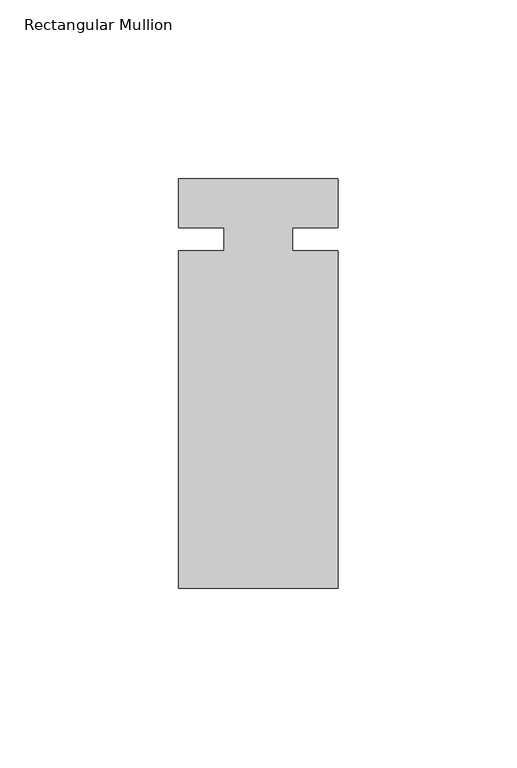
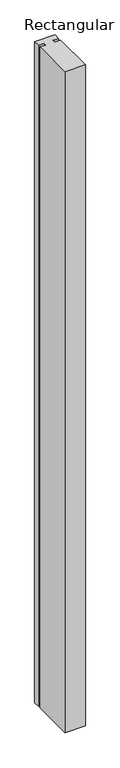
"""IFC4 building model written with IfcOpenShell, lengths in millimetres: member geometry, Rectangular Mullion."""

from ifc_helpers import new_model, si_unit, frame, origin, place, context, project, spatial, polyline, outline, extrude, source, transform, mapped, element, save


def rectangular_mullion_b1c34ef1(model_context):
    return source(origin(), model_context, "Body", "SweptSolid", [
        extrude(outline(polyline([(22.225, 16.8532346), (22.225, 3.175), (9.5232296, 3.175), (9.5232296, -3.175), (22.225, -3.175), (22.225, -97.4467654), (-22.225, -97.4467654), (-22.225, -3.175), (-9.525, -3.175), (-9.525, 3.175), (-22.225, 3.175), (-22.225, 16.8532346), (22.225, 16.8532346)])), frame((0.0, 0.0, -1524.0), z_axis=(0.0, 0.0, 1.0), x_axis=(1.0, 0.0, 0.0)), (0.0, 0.0, 1.0), 1524.0),
    ])


if __name__ == "__main__":
    model = new_model("IFC4")
    model_context = context("Model", 3, world=origin())
    ifc_project = project(units=[si_unit("LENGTHUNIT", "METRE", prefix="MILLI")], contexts=[model_context])
    site = spatial("IfcSite", under=ifc_project)
    building = spatial("IfcBuilding", under=site)
    placement = place(None, origin())
    rectangular_mullion_shape = rectangular_mullion_b1c34ef1(model_context)
    element("IfcMember", 1, ObjectType="Rectangular Mullion", at=placement, inside=building, context=model_context, shape_type="MappedRepresentation", body=[
        mapped(rectangular_mullion_shape, transform((0.0, 0.0, 0.0), x_axis=(1.0, 0.0, 0.0), y_axis=(0.0, 1.0, 0.0), z_axis=(0.0, 0.0, 1.0))),
    ])
    save(model, "model.ifc")
